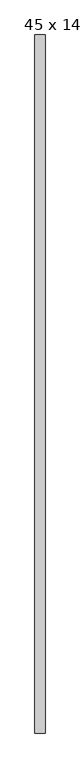
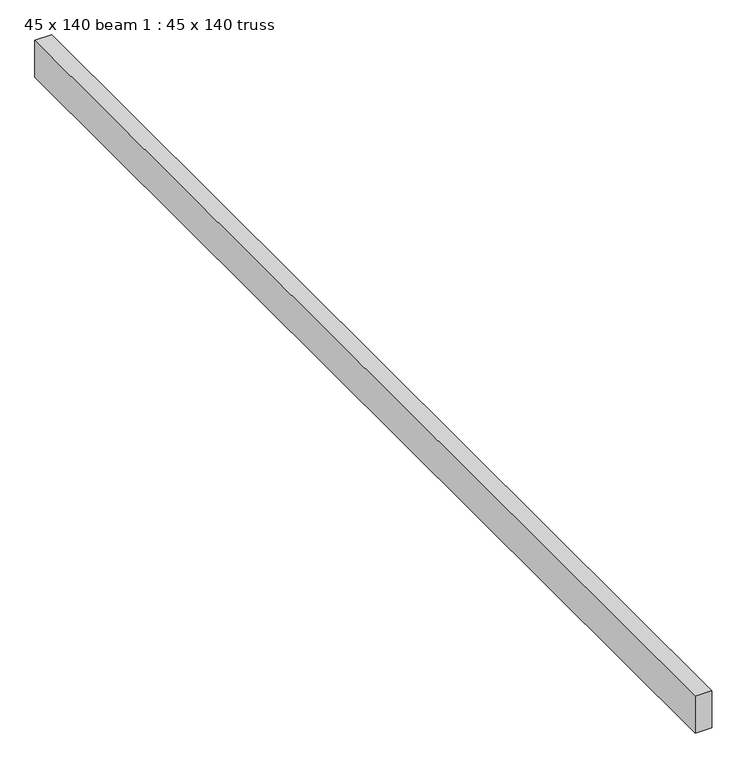
"""IFC4 building model written with IfcOpenShell, lengths in millimetres: proxy geometry, 45 x 140 beam 1 : 45 x 140 truss."""

from ifc_helpers import new_model, si_unit, frame, origin, place, context, project, spatial, polyline, outline, extrude, source, transform, mapped, element, save


def proxy_45_x_140_beam_1_45_x_140_truss_561dd041(model_context):
    return source(origin(), model_context, "Body", "SweptSolid", [
        extrude(outline(polyline([(-1212.2849404, -4569.530835), (-1257.2849404, -4569.530835), (-1257.2849404, -1479.530835), (-1212.2849404, -1479.530835), (-1212.2849404, -4569.530835)])), frame((0.0, 0.0, 3679.1177703), z_axis=(0.0, 0.0, 1.0), x_axis=(1.0, 0.0, 0.0)), (0.0, 0.0, 1.0), 105.1275103),
    ])


if __name__ == "__main__":
    model = new_model("IFC4")
    model_context = context("Model", 3, world=origin())
    ifc_project = project(units=[si_unit("LENGTHUNIT", "METRE", prefix="MILLI")], contexts=[model_context])
    site = spatial("IfcSite", under=ifc_project)
    building = spatial("IfcBuilding", under=site)
    placement = place(None, origin())
    proxy_45_x_140_beam_1_45_x_140_truss_shape = proxy_45_x_140_beam_1_45_x_140_truss_561dd041(model_context)
    element("IfcBuildingElementProxy", 1, Name="45 x 140 beam 1 : 45 x 140 truss", ObjectType="45 x 140 beam 1 : 45 x 140 truss", at=placement, inside=building, context=model_context, shape_type="MappedRepresentation", body=[
        mapped(proxy_45_x_140_beam_1_45_x_140_truss_shape, transform((0.0, 0.0, 0.0), x_axis=(1.0, 0.0, 0.0), y_axis=(0.0, 1.0, 0.0), z_axis=(0.0, 0.0, 1.0))),
    ])
    save(model, "model.ifc")
